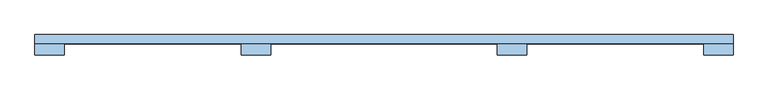
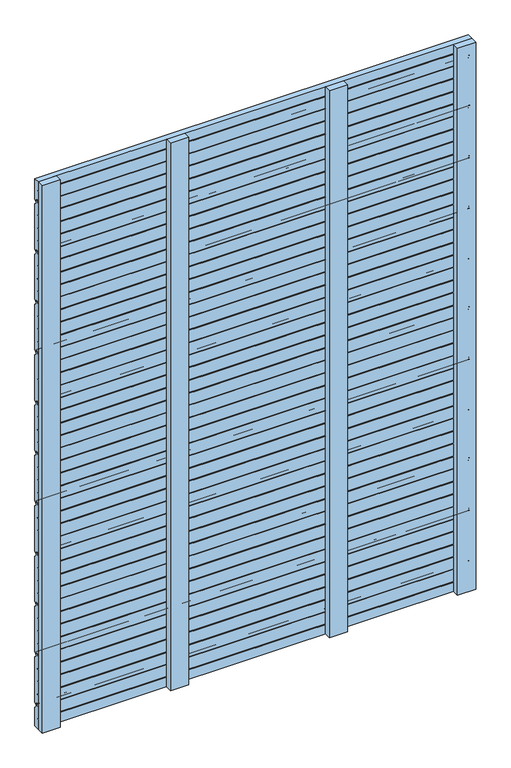
"""IFC4 building model written with IfcOpenShell, lengths in millimetres: window geometry."""

from ifc_helpers import new_model, si_unit, point, frame, frame_2d, origin, place, context, project, spatial, polyline, circle_curve, trimmed, segment, composite_curve, outline, extrude, source, transform, mapped, element, save


def window_4b508122(model_context):
    return source(origin(), model_context, "Body", "SweptSolid", [
        extrude(outline(composite_curve([segment(trimmed(circle_curve(frame_2d((129.5, 182.9478782)), 1.0), [point((130.5, 182.9478782))], [point((129.5, 181.9478782))], False, "CARTESIAN"), True, "CONTINUOUS"), segment(polyline([(129.5, 181.9478782), (124.5, 181.9478782), (124.5, 224.3167895), (130.5, 224.3167895), (130.5, 227.8167895), (124.5, 227.8167895), (124.5, 270.8778597), (130.5, 270.8778597), (130.5, 274.3778597), (124.5, 274.3778597), (124.5, 317.4389298), (130.5, 317.4389298), (130.5, 320.9389298), (124.5, 320.9389298), (124.5, 364.0), (131.0, 364.0), (131.0, 370.5)]), True, "CONTINUOUS"), segment(trimmed(circle_curve(frame_2d((132.5, 370.5)), 1.5), [point((131.0, 370.5))], [point((132.5, 372.0))], False, "CARTESIAN"), True, "CONTINUOUS"), segment(polyline([(132.5, 372.0), (135.5, 372.0)]), True, "CONTINUOUS"), segment(trimmed(circle_curve(frame_2d((135.5, 370.5)), 1.5), [point((135.5, 372.0))], [point((137.0, 370.5))], False, "CARTESIAN"), True, "CONTINUOUS"), segment(polyline([(137.0, 370.5), (137.0, 359.4142136)]), True, "CONTINUOUS"), segment(trimmed(circle_curve(frame_2d((138.0, 359.4142136)), 1.0), [point((137.0, 359.4142136))], [point((137.2928932, 358.7071068))], True, "CARTESIAN"), True, "CONTINUOUS"), segment(polyline([(137.2928932, 358.7071068), (143.5606602, 352.4393398)]), True, "CONTINUOUS"), segment(trimmed(circle_curve(frame_2d((142.5, 351.3786797)), 1.5), [point((143.5606602, 352.4393398))], [point((144.0, 351.3786797))], False, "CARTESIAN"), True, "CONTINUOUS"), segment(polyline([(144.0, 351.3786797), (144.0, 188.154985)]), True, "CONTINUOUS"), segment(trimmed(circle_curve(frame_2d((142.5, 188.154985)), 1.5), [point((144.0, 188.154985))], [point((143.5606602, 187.0943248))], False, "CARTESIAN"), True, "CONTINUOUS"), segment(polyline([(143.5606602, 187.0943248), (138.7071068, 182.2407714)]), True, "CONTINUOUS"), segment(trimmed(circle_curve(frame_2d((138.0, 182.9478782)), 1.0), [point((138.7071068, 182.2407714))], [point((137.0, 182.9478782))], False, "CARTESIAN"), True, "CONTINUOUS"), segment(polyline([(137.0, 182.9478782), (137.0, 189.4478782)]), True, "CONTINUOUS"), segment(trimmed(circle_curve(frame_2d((135.5, 189.4478782)), 1.5), [point((137.0, 189.4478782))], [point((135.5, 190.9478782))], True, "CARTESIAN"), True, "CONTINUOUS"), segment(polyline([(135.5, 190.9478782), (132.0, 190.9478782)]), True, "CONTINUOUS"), segment(trimmed(circle_curve(frame_2d((132.0, 189.4478782)), 1.5), [point((132.0, 190.9478782))], [point((130.5, 189.4478782))], True, "CARTESIAN"), True, "CONTINUOUS"), segment(polyline([(130.5, 189.4478782), (130.5, 182.9478782)]), True, "CONTINUOUS")], self_intersect=False)), frame((-750.0, 0.0, 0.0), z_axis=(1.0, 0.0, 0.0), x_axis=(0.0, 1.0, 0.0)), (0.0, 0.0, 1.0), 1500.0),
        extrude(outline(composite_curve([segment(trimmed(circle_curve(frame_2d((129.5, 366.9478782)), 1.0), [point((130.5, 366.9478782))], [point((129.5, 365.9478782))], False, "CARTESIAN"), True, "CONTINUOUS"), segment(polyline([(129.5, 365.9478782), (124.5, 365.9478782), (124.5, 408.3167895), (130.5, 408.3167895), (130.5, 411.8167895), (124.5, 411.8167895), (124.5, 454.8778597), (130.5, 454.8778597), (130.5, 458.3778597), (124.5, 458.3778597), (124.5, 501.4389298), (130.5, 501.4389298), (130.5, 504.9389298), (124.5, 504.9389298), (124.5, 548.0), (131.0, 548.0), (131.0, 554.5)]), True, "CONTINUOUS"), segment(trimmed(circle_curve(frame_2d((132.5, 554.5)), 1.5), [point((131.0, 554.5))], [point((132.5, 556.0))], False, "CARTESIAN"), True, "CONTINUOUS"), segment(polyline([(132.5, 556.0), (135.5, 556.0)]), True, "CONTINUOUS"), segment(trimmed(circle_curve(frame_2d((135.5, 554.5)), 1.5), [point((135.5, 556.0))], [point((137.0, 554.5))], False, "CARTESIAN"), True, "CONTINUOUS"), segment(polyline([(137.0, 554.5), (137.0, 543.4142136)]), True, "CONTINUOUS"), segment(trimmed(circle_curve(frame_2d((138.0, 543.4142136)), 1.0), [point((137.0, 543.4142136))], [point((137.2928932, 542.7071068))], True, "CARTESIAN"), True, "CONTINUOUS"), segment(polyline([(137.2928932, 542.7071068), (143.5606602, 536.4393398)]), True, "CONTINUOUS"), segment(trimmed(circle_curve(frame_2d((142.5, 535.3786797)), 1.5), [point((143.5606602, 536.4393398))], [point((144.0, 535.3786797))], False, "CARTESIAN"), True, "CONTINUOUS"), segment(polyline([(144.0, 535.3786797), (144.0, 372.154985)]), True, "CONTINUOUS"), segment(trimmed(circle_curve(frame_2d((142.5, 372.154985)), 1.5), [point((144.0, 372.154985))], [point((143.5606602, 371.0943248))], False, "CARTESIAN"), True, "CONTINUOUS"), segment(polyline([(143.5606602, 371.0943248), (138.7071068, 366.2407714)]), True, "CONTINUOUS"), segment(trimmed(circle_curve(frame_2d((138.0, 366.9478782)), 1.0), [point((138.7071068, 366.2407714))], [point((137.0, 366.9478782))], False, "CARTESIAN"), True, "CONTINUOUS"), segment(polyline([(137.0, 366.9478782), (137.0, 373.4478782)]), True, "CONTINUOUS"), segment(trimmed(circle_curve(frame_2d((135.5, 373.4478782)), 1.5), [point((137.0, 373.4478782))], [point((135.5, 374.9478782))], True, "CARTESIAN"), True, "CONTINUOUS"), segment(polyline([(135.5, 374.9478782), (132.0, 374.9478782)]), True, "CONTINUOUS"), segment(trimmed(circle_curve(frame_2d((132.0, 373.4478782)), 1.5), [point((132.0, 374.9478782))], [point((130.5, 373.4478782))], True, "CARTESIAN"), True, "CONTINUOUS"), segment(polyline([(130.5, 373.4478782), (130.5, 366.9478782)]), True, "CONTINUOUS")], self_intersect=False)), frame((-750.0, 0.0, 0.0), z_axis=(1.0, 0.0, 0.0), x_axis=(0.0, 1.0, 0.0)), (0.0, 0.0, 1.0), 1500.0),
        extrude(outline(composite_curve([segment(trimmed(circle_curve(frame_2d((129.5, 550.9478782)), 1.0), [point((130.5, 550.9478782))], [point((129.5, 549.9478782))], False, "CARTESIAN"), True, "CONTINUOUS"), segment(polyline([(129.5, 549.9478782), (124.5, 549.9478782), (124.5, 592.3167895), (130.5, 592.3167895), (130.5, 595.8167895), (124.5, 595.8167895), (124.5, 638.8778597), (130.5, 638.8778597), (130.5, 642.3778597), (124.5, 642.3778597), (124.5, 685.4389298), (130.5, 685.4389298), (130.5, 688.9389298), (124.5, 688.9389298), (124.5, 732.0), (131.0, 732.0), (131.0, 738.5)]), True, "CONTINUOUS"), segment(trimmed(circle_curve(frame_2d((132.5, 738.5)), 1.5), [point((131.0, 738.5))], [point((132.5, 740.0))], False, "CARTESIAN"), True, "CONTINUOUS"), segment(polyline([(132.5, 740.0), (135.5, 740.0)]), True, "CONTINUOUS"), segment(trimmed(circle_curve(frame_2d((135.5, 738.5)), 1.5), [point((135.5, 740.0))], [point((137.0, 738.5))], False, "CARTESIAN"), True, "CONTINUOUS"), segment(polyline([(137.0, 738.5), (137.0, 727.4142136)]), True, "CONTINUOUS"), segment(trimmed(circle_curve(frame_2d((138.0, 727.4142136)), 1.0), [point((137.0, 727.4142136))], [point((137.2928932, 726.7071068))], True, "CARTESIAN"), True, "CONTINUOUS"), segment(polyline([(137.2928932, 726.7071068), (143.5606602, 720.4393398)]), True, "CONTINUOUS"), segment(trimmed(circle_curve(frame_2d((142.5, 719.3786797)), 1.5), [point((143.5606602, 720.4393398))], [point((144.0, 719.3786797))], False, "CARTESIAN"), True, "CONTINUOUS"), segment(polyline([(144.0, 719.3786797), (144.0, 556.154985)]), True, "CONTINUOUS"), segment(trimmed(circle_curve(frame_2d((142.5, 556.154985)), 1.5), [point((144.0, 556.154985))], [point((143.5606602, 555.0943248))], False, "CARTESIAN"), True, "CONTINUOUS"), segment(polyline([(143.5606602, 555.0943248), (138.7071068, 550.2407714)]), True, "CONTINUOUS"), segment(trimmed(circle_curve(frame_2d((138.0, 550.9478782)), 1.0), [point((138.7071068, 550.2407714))], [point((137.0, 550.9478782))], False, "CARTESIAN"), True, "CONTINUOUS"), segment(polyline([(137.0, 550.9478782), (137.0, 557.4478782)]), True, "CONTINUOUS"), segment(trimmed(circle_curve(frame_2d((135.5, 557.4478782)), 1.5), [point((137.0, 557.4478782))], [point((135.5, 558.9478782))], True, "CARTESIAN"), True, "CONTINUOUS"), segment(polyline([(135.5, 558.9478782), (132.0, 558.9478782)]), True, "CONTINUOUS"), segment(trimmed(circle_curve(frame_2d((132.0, 557.4478782)), 1.5), [point((132.0, 558.9478782))], [point((130.5, 557.4478782))], True, "CARTESIAN"), True, "CONTINUOUS"), segment(polyline([(130.5, 557.4478782), (130.5, 550.9478782)]), True, "CONTINUOUS")], self_intersect=False)), frame((-750.0, 0.0, 0.0), z_axis=(1.0, 0.0, 0.0), x_axis=(0.0, 1.0, 0.0)), (0.0, 0.0, 1.0), 1500.0),
        extrude(outline(composite_curve([segment(trimmed(circle_curve(frame_2d((129.5, 734.9478782)), 1.0), [point((130.5, 734.9478782))], [point((129.5, 733.9478782))], False, "CARTESIAN"), True, "CONTINUOUS"), segment(polyline([(129.5, 733.9478782), (124.5, 733.9478782), (124.5, 776.3167895), (130.5, 776.3167895), (130.5, 779.8167895), (124.5, 779.8167895), (124.5, 822.8778597), (130.5, 822.8778597), (130.5, 826.3778597), (124.5, 826.3778597), (124.5, 869.4389298), (130.5, 869.4389298), (130.5, 872.9389298), (124.5, 872.9389298), (124.5, 916.0), (131.0, 916.0), (131.0, 922.5)]), True, "CONTINUOUS"), segment(trimmed(circle_curve(frame_2d((132.5, 922.5)), 1.5), [point((131.0, 922.5))], [point((132.5, 924.0))], False, "CARTESIAN"), True, "CONTINUOUS"), segment(polyline([(132.5, 924.0), (135.5, 924.0)]), True, "CONTINUOUS"), segment(trimmed(circle_curve(frame_2d((135.5, 922.5)), 1.5), [point((135.5, 924.0))], [point((137.0, 922.5))], False, "CARTESIAN"), True, "CONTINUOUS"), segment(polyline([(137.0, 922.5), (137.0, 911.4142136)]), True, "CONTINUOUS"), segment(trimmed(circle_curve(frame_2d((138.0, 911.4142136)), 1.0), [point((137.0, 911.4142136))], [point((137.2928932, 910.7071068))], True, "CARTESIAN"), True, "CONTINUOUS"), segment(polyline([(137.2928932, 910.7071068), (143.5606602, 904.4393398)]), True, "CONTINUOUS"), segment(trimmed(circle_curve(frame_2d((142.5, 903.3786797)), 1.5), [point((143.5606602, 904.4393398))], [point((144.0, 903.3786797))], False, "CARTESIAN"), True, "CONTINUOUS"), segment(polyline([(144.0, 903.3786797), (144.0, 740.154985)]), True, "CONTINUOUS"), segment(trimmed(circle_curve(frame_2d((142.5, 740.154985)), 1.5), [point((144.0, 740.154985))], [point((143.5606602, 739.0943248))], False, "CARTESIAN"), True, "CONTINUOUS"), segment(polyline([(143.5606602, 739.0943248), (138.7071068, 734.2407714)]), True, "CONTINUOUS"), segment(trimmed(circle_curve(frame_2d((138.0, 734.9478782)), 1.0), [point((138.7071068, 734.2407714))], [point((137.0, 734.9478782))], False, "CARTESIAN"), True, "CONTINUOUS"), segment(polyline([(137.0, 734.9478782), (137.0, 741.4478782)]), True, "CONTINUOUS"), segment(trimmed(circle_curve(frame_2d((135.5, 741.4478782)), 1.5), [point((137.0, 741.4478782))], [point((135.5, 742.9478782))], True, "CARTESIAN"), True, "CONTINUOUS"), segment(polyline([(135.5, 742.9478782), (132.0, 742.9478782)]), True, "CONTINUOUS"), segment(trimmed(circle_curve(frame_2d((132.0, 741.4478782)), 1.5), [point((132.0, 742.9478782))], [point((130.5, 741.4478782))], True, "CARTESIAN"), True, "CONTINUOUS"), segment(polyline([(130.5, 741.4478782), (130.5, 734.9478782)]), True, "CONTINUOUS")], self_intersect=False)), frame((-750.0, 0.0, 0.0), z_axis=(1.0, 0.0, 0.0), x_axis=(0.0, 1.0, 0.0)), (0.0, 0.0, 1.0), 1500.0),
        extrude(outline(composite_curve([segment(trimmed(circle_curve(frame_2d((129.5, 918.9478782)), 1.0), [point((130.5, 918.9478782))], [point((129.5, 917.9478782))], False, "CARTESIAN"), True, "CONTINUOUS"), segment(polyline([(129.5, 917.9478782), (124.5, 917.9478782), (124.5, 960.3167895), (130.5, 960.3167895), (130.5, 963.8167895), (124.5, 963.8167895), (124.5, 1006.8778597), (130.5, 1006.8778597), (130.5, 1010.3778597), (124.5, 1010.3778597), (124.5, 1053.4389298), (130.5, 1053.4389298), (130.5, 1056.9389298), (124.5, 1056.9389298), (124.5, 1100.0), (131.0, 1100.0), (131.0, 1106.5)]), True, "CONTINUOUS"), segment(trimmed(circle_curve(frame_2d((132.5, 1106.5)), 1.5), [point((131.0, 1106.5))], [point((132.5, 1108.0))], False, "CARTESIAN"), True, "CONTINUOUS"), segment(polyline([(132.5, 1108.0), (135.5, 1108.0)]), True, "CONTINUOUS"), segment(trimmed(circle_curve(frame_2d((135.5, 1106.5)), 1.5), [point((135.5, 1108.0))], [point((137.0, 1106.5))], False, "CARTESIAN"), True, "CONTINUOUS"), segment(polyline([(137.0, 1106.5), (137.0, 1095.4142136)]), True, "CONTINUOUS"), segment(trimmed(circle_curve(frame_2d((138.0, 1095.4142136)), 1.0), [point((137.0, 1095.4142136))], [point((137.2928932, 1094.7071068))], True, "CARTESIAN"), True, "CONTINUOUS"), segment(polyline([(137.2928932, 1094.7071068), (143.5606602, 1088.4393398)]), True, "CONTINUOUS"), segment(trimmed(circle_curve(frame_2d((142.5, 1087.3786797)), 1.5), [point((143.5606602, 1088.4393398))], [point((144.0, 1087.3786797))], False, "CARTESIAN"), True, "CONTINUOUS"), segment(polyline([(144.0, 1087.3786797), (144.0, 924.154985)]), True, "CONTINUOUS"), segment(trimmed(circle_curve(frame_2d((142.5, 924.154985)), 1.5), [point((144.0, 924.154985))], [point((143.5606602, 923.0943248))], False, "CARTESIAN"), True, "CONTINUOUS"), segment(polyline([(143.5606602, 923.0943248), (138.7071068, 918.2407714)]), True, "CONTINUOUS"), segment(trimmed(circle_curve(frame_2d((138.0, 918.9478782)), 1.0), [point((138.7071068, 918.2407714))], [point((137.0, 918.9478782))], False, "CARTESIAN"), True, "CONTINUOUS"), segment(polyline([(137.0, 918.9478782), (137.0, 925.4478782)]), True, "CONTINUOUS"), segment(trimmed(circle_curve(frame_2d((135.5, 925.4478782)), 1.5), [point((137.0, 925.4478782))], [point((135.5, 926.9478782))], True, "CARTESIAN"), True, "CONTINUOUS"), segment(polyline([(135.5, 926.9478782), (132.0, 926.9478782)]), True, "CONTINUOUS"), segment(trimmed(circle_curve(frame_2d((132.0, 925.4478782)), 1.5), [point((132.0, 926.9478782))], [point((130.5, 925.4478782))], True, "CARTESIAN"), True, "CONTINUOUS"), segment(polyline([(130.5, 925.4478782), (130.5, 918.9478782)]), True, "CONTINUOUS")], self_intersect=False)), frame((-750.0, 0.0, 0.0), z_axis=(1.0, 0.0, 0.0), x_axis=(0.0, 1.0, 0.0)), (0.0, 0.0, 1.0), 1500.0),
        extrude(outline(composite_curve([segment(trimmed(circle_curve(frame_2d((129.5, 1102.9478782)), 1.0), [point((130.5, 1102.9478782))], [point((129.5, 1101.9478782))], False, "CARTESIAN"), True, "CONTINUOUS"), segment(polyline([(129.5, 1101.9478782), (124.5, 1101.9478782), (124.5, 1144.3167895), (130.5, 1144.3167895), (130.5, 1147.8167895), (124.5, 1147.8167895), (124.5, 1190.8778597), (130.5, 1190.8778597), (130.5, 1194.3778597), (124.5, 1194.3778597), (124.5, 1237.4389298), (130.5, 1237.4389298), (130.5, 1240.9389298), (124.5, 1240.9389298), (124.5, 1284.0), (131.0, 1284.0), (131.0, 1290.5)]), True, "CONTINUOUS"), segment(trimmed(circle_curve(frame_2d((132.5, 1290.5)), 1.5), [point((131.0, 1290.5))], [point((132.5, 1292.0))], False, "CARTESIAN"), True, "CONTINUOUS"), segment(polyline([(132.5, 1292.0), (135.5, 1292.0)]), True, "CONTINUOUS"), segment(trimmed(circle_curve(frame_2d((135.5, 1290.5)), 1.5), [point((135.5, 1292.0))], [point((137.0, 1290.5))], False, "CARTESIAN"), True, "CONTINUOUS"), segment(polyline([(137.0, 1290.5), (137.0, 1279.4142136)]), True, "CONTINUOUS"), segment(trimmed(circle_curve(frame_2d((138.0, 1279.4142136)), 1.0), [point((137.0, 1279.4142136))], [point((137.2928932, 1278.7071068))], True, "CARTESIAN"), True, "CONTINUOUS"), segment(polyline([(137.2928932, 1278.7071068), (143.5606602, 1272.4393398)]), True, "CONTINUOUS"), segment(trimmed(circle_curve(frame_2d((142.5, 1271.3786797)), 1.5), [point((143.5606602, 1272.4393398))], [point((144.0, 1271.3786797))], False, "CARTESIAN"), True, "CONTINUOUS"), segment(polyline([(144.0, 1271.3786797), (144.0, 1108.154985)]), True, "CONTINUOUS"), segment(trimmed(circle_curve(frame_2d((142.5, 1108.154985)), 1.5), [point((144.0, 1108.154985))], [point((143.5606602, 1107.0943248))], False, "CARTESIAN"), True, "CONTINUOUS"), segment(polyline([(143.5606602, 1107.0943248), (138.7071068, 1102.2407714)]), True, "CONTINUOUS"), segment(trimmed(circle_curve(frame_2d((138.0, 1102.9478782)), 1.0), [point((138.7071068, 1102.2407714))], [point((137.0, 1102.9478782))], False, "CARTESIAN"), True, "CONTINUOUS"), segment(polyline([(137.0, 1102.9478782), (137.0, 1109.4478782)]), True, "CONTINUOUS"), segment(trimmed(circle_curve(frame_2d((135.5, 1109.4478782)), 1.5), [point((137.0, 1109.4478782))], [point((135.5, 1110.9478782))], True, "CARTESIAN"), True, "CONTINUOUS"), segment(polyline([(135.5, 1110.9478782), (132.0, 1110.9478782)]), True, "CONTINUOUS"), segment(trimmed(circle_curve(frame_2d((132.0, 1109.4478782)), 1.5), [point((132.0, 1110.9478782))], [point((130.5, 1109.4478782))], True, "CARTESIAN"), True, "CONTINUOUS"), segment(polyline([(130.5, 1109.4478782), (130.5, 1102.9478782)]), True, "CONTINUOUS")], self_intersect=False)), frame((-750.0, 0.0, 0.0), z_axis=(1.0, 0.0, 0.0), x_axis=(0.0, 1.0, 0.0)), (0.0, 0.0, 1.0), 1500.0),
        extrude(outline(composite_curve([segment(trimmed(circle_curve(frame_2d((129.5, 1286.9478782)), 1.0), [point((130.5, 1286.9478782))], [point((129.5, 1285.9478782))], False, "CARTESIAN"), True, "CONTINUOUS"), segment(polyline([(129.5, 1285.9478782), (124.5, 1285.9478782), (124.5, 1328.3167895), (130.5, 1328.3167895), (130.5, 1331.8167895), (124.5, 1331.8167895), (124.5, 1374.8778597), (130.5, 1374.8778597), (130.5, 1378.3778597), (124.5, 1378.3778597), (124.5, 1421.4389298), (130.5, 1421.4389298), (130.5, 1424.9389298), (124.5, 1424.9389298), (124.5, 1468.0), (131.0, 1468.0), (131.0, 1474.5)]), True, "CONTINUOUS"), segment(trimmed(circle_curve(frame_2d((132.5, 1474.5)), 1.5), [point((131.0, 1474.5))], [point((132.5, 1476.0))], False, "CARTESIAN"), True, "CONTINUOUS"), segment(polyline([(132.5, 1476.0), (135.5, 1476.0)]), True, "CONTINUOUS"), segment(trimmed(circle_curve(frame_2d((135.5, 1474.5)), 1.5), [point((135.5, 1476.0))], [point((137.0, 1474.5))], False, "CARTESIAN"), True, "CONTINUOUS"), segment(polyline([(137.0, 1474.5), (137.0, 1463.4142136)]), True, "CONTINUOUS"), segment(trimmed(circle_curve(frame_2d((138.0, 1463.4142136)), 1.0), [point((137.0, 1463.4142136))], [point((137.2928932, 1462.7071068))], True, "CARTESIAN"), True, "CONTINUOUS"), segment(polyline([(137.2928932, 1462.7071068), (143.5606602, 1456.4393398)]), True, "CONTINUOUS"), segment(trimmed(circle_curve(frame_2d((142.5, 1455.3786797)), 1.5), [point((143.5606602, 1456.4393398))], [point((144.0, 1455.3786797))], False, "CARTESIAN"), True, "CONTINUOUS"), segment(polyline([(144.0, 1455.3786797), (144.0, 1292.154985)]), True, "CONTINUOUS"), segment(trimmed(circle_curve(frame_2d((142.5, 1292.154985)), 1.5), [point((144.0, 1292.154985))], [point((143.5606602, 1291.0943248))], False, "CARTESIAN"), True, "CONTINUOUS"), segment(polyline([(143.5606602, 1291.0943248), (138.7071068, 1286.2407714)]), True, "CONTINUOUS"), segment(trimmed(circle_curve(frame_2d((138.0, 1286.9478782)), 1.0), [point((138.7071068, 1286.2407714))], [point((137.0, 1286.9478782))], False, "CARTESIAN"), True, "CONTINUOUS"), segment(polyline([(137.0, 1286.9478782), (137.0, 1293.4478782)]), True, "CONTINUOUS"), segment(trimmed(circle_curve(frame_2d((135.5, 1293.4478782)), 1.5), [point((137.0, 1293.4478782))], [point((135.5, 1294.9478782))], True, "CARTESIAN"), True, "CONTINUOUS"), segment(polyline([(135.5, 1294.9478782), (132.0, 1294.9478782)]), True, "CONTINUOUS"), segment(trimmed(circle_curve(frame_2d((132.0, 1293.4478782)), 1.5), [point((132.0, 1294.9478782))], [point((130.5, 1293.4478782))], True, "CARTESIAN"), True, "CONTINUOUS"), segment(polyline([(130.5, 1293.4478782), (130.5, 1286.9478782)]), True, "CONTINUOUS")], self_intersect=False)), frame((-750.0, 0.0, 0.0), z_axis=(1.0, 0.0, 0.0), x_axis=(0.0, 1.0, 0.0)), (0.0, 0.0, 1.0), 1500.0),
        extrude(outline(composite_curve([segment(trimmed(circle_curve(frame_2d((129.5, 1470.9478782)), 1.0), [point((130.5, 1470.9478782))], [point((129.5, 1469.9478782))], False, "CARTESIAN"), True, "CONTINUOUS"), segment(polyline([(129.5, 1469.9478782), (124.5, 1469.9478782), (124.5, 1512.3167895), (130.5, 1512.3167895), (130.5, 1515.8167895), (124.5, 1515.8167895), (124.5, 1558.8778597), (130.5, 1558.8778597), (130.5, 1562.3778597), (124.5, 1562.3778597), (124.5, 1605.4389298), (130.5, 1605.4389298), (130.5, 1608.9389298), (124.5, 1608.9389298), (124.5, 1652.0), (131.0, 1652.0), (131.0, 1658.5)]), True, "CONTINUOUS"), segment(trimmed(circle_curve(frame_2d((132.5, 1658.5)), 1.5), [point((131.0, 1658.5))], [point((132.5, 1660.0))], False, "CARTESIAN"), True, "CONTINUOUS"), segment(polyline([(132.5, 1660.0), (135.5, 1660.0)]), True, "CONTINUOUS"), segment(trimmed(circle_curve(frame_2d((135.5, 1658.5)), 1.5), [point((135.5, 1660.0))], [point((137.0, 1658.5))], False, "CARTESIAN"), True, "CONTINUOUS"), segment(polyline([(137.0, 1658.5), (137.0, 1647.4142136)]), True, "CONTINUOUS"), segment(trimmed(circle_curve(frame_2d((138.0, 1647.4142136)), 1.0), [point((137.0, 1647.4142136))], [point((137.2928932, 1646.7071068))], True, "CARTESIAN"), True, "CONTINUOUS"), segment(polyline([(137.2928932, 1646.7071068), (143.5606602, 1640.4393398)]), True, "CONTINUOUS"), segment(trimmed(circle_curve(frame_2d((142.5, 1639.3786797)), 1.5), [point((143.5606602, 1640.4393398))], [point((144.0, 1639.3786797))], False, "CARTESIAN"), True, "CONTINUOUS"), segment(polyline([(144.0, 1639.3786797), (144.0, 1476.154985)]), True, "CONTINUOUS"), segment(trimmed(circle_curve(frame_2d((142.5, 1476.154985)), 1.5), [point((144.0, 1476.154985))], [point((143.5606602, 1475.0943248))], False, "CARTESIAN"), True, "CONTINUOUS"), segment(polyline([(143.5606602, 1475.0943248), (138.7071068, 1470.2407714)]), True, "CONTINUOUS"), segment(trimmed(circle_curve(frame_2d((138.0, 1470.9478782)), 1.0), [point((138.7071068, 1470.2407714))], [point((137.0, 1470.9478782))], False, "CARTESIAN"), True, "CONTINUOUS"), segment(polyline([(137.0, 1470.9478782), (137.0, 1477.4478782)]), True, "CONTINUOUS"), segment(trimmed(circle_curve(frame_2d((135.5, 1477.4478782)), 1.5), [point((137.0, 1477.4478782))], [point((135.5, 1478.9478782))], True, "CARTESIAN"), True, "CONTINUOUS"), segment(polyline([(135.5, 1478.9478782), (132.0, 1478.9478782)]), True, "CONTINUOUS"), segment(trimmed(circle_curve(frame_2d((132.0, 1477.4478782)), 1.5), [point((132.0, 1478.9478782))], [point((130.5, 1477.4478782))], True, "CARTESIAN"), True, "CONTINUOUS"), segment(polyline([(130.5, 1477.4478782), (130.5, 1470.9478782)]), True, "CONTINUOUS")], self_intersect=False)), frame((-750.0, 0.0, 0.0), z_axis=(1.0, 0.0, 0.0), x_axis=(0.0, 1.0, 0.0)), (0.0, 0.0, 1.0), 1500.0),
        extrude(outline(composite_curve([segment(trimmed(circle_curve(frame_2d((129.5, 1654.9478782)), 1.0), [point((130.5, 1654.9478782))], [point((129.5, 1653.9478782))], False, "CARTESIAN"), True, "CONTINUOUS"), segment(polyline([(129.5, 1653.9478782), (124.5, 1653.9478782), (124.5, 1696.3167895), (130.5, 1696.3167895), (130.5, 1699.8167895), (124.5, 1699.8167895), (124.5, 1742.8778597), (130.5, 1742.8778597), (130.5, 1746.3778597), (124.5, 1746.3778597), (124.5, 1789.4389298), (130.5, 1789.4389298), (130.5, 1792.9389298), (124.5, 1792.9389298), (124.5, 1836.0), (131.0, 1836.0), (131.0, 1842.5)]), True, "CONTINUOUS"), segment(trimmed(circle_curve(frame_2d((132.5, 1842.5)), 1.5), [point((131.0, 1842.5))], [point((132.5, 1844.0))], False, "CARTESIAN"), True, "CONTINUOUS"), segment(polyline([(132.5, 1844.0), (135.5, 1844.0)]), True, "CONTINUOUS"), segment(trimmed(circle_curve(frame_2d((135.5, 1842.5)), 1.5), [point((135.5, 1844.0))], [point((137.0, 1842.5))], False, "CARTESIAN"), True, "CONTINUOUS"), segment(polyline([(137.0, 1842.5), (137.0, 1831.4142136)]), True, "CONTINUOUS"), segment(trimmed(circle_curve(frame_2d((138.0, 1831.4142136)), 1.0), [point((137.0, 1831.4142136))], [point((137.2928932, 1830.7071068))], True, "CARTESIAN"), True, "CONTINUOUS"), segment(polyline([(137.2928932, 1830.7071068), (143.5606602, 1824.4393398)]), True, "CONTINUOUS"), segment(trimmed(circle_curve(frame_2d((142.5, 1823.3786797)), 1.5), [point((143.5606602, 1824.4393398))], [point((144.0, 1823.3786797))], False, "CARTESIAN"), True, "CONTINUOUS"), segment(polyline([(144.0, 1823.3786797), (144.0, 1660.154985)]), True, "CONTINUOUS"), segment(trimmed(circle_curve(frame_2d((142.5, 1660.154985)), 1.5), [point((144.0, 1660.154985))], [point((143.5606602, 1659.0943248))], False, "CARTESIAN"), True, "CONTINUOUS"), segment(polyline([(143.5606602, 1659.0943248), (138.7071068, 1654.2407714)]), True, "CONTINUOUS"), segment(trimmed(circle_curve(frame_2d((138.0, 1654.9478782)), 1.0), [point((138.7071068, 1654.2407714))], [point((137.0, 1654.9478782))], False, "CARTESIAN"), True, "CONTINUOUS"), segment(polyline([(137.0, 1654.9478782), (137.0, 1661.4478782)]), True, "CONTINUOUS"), segment(trimmed(circle_curve(frame_2d((135.5, 1661.4478782)), 1.5), [point((137.0, 1661.4478782))], [point((135.5, 1662.9478782))], True, "CARTESIAN"), True, "CONTINUOUS"), segment(polyline([(135.5, 1662.9478782), (132.0, 1662.9478782)]), True, "CONTINUOUS"), segment(trimmed(circle_curve(frame_2d((132.0, 1661.4478782)), 1.5), [point((132.0, 1662.9478782))], [point((130.5, 1661.4478782))], True, "CARTESIAN"), True, "CONTINUOUS"), segment(polyline([(130.5, 1661.4478782), (130.5, 1654.9478782)]), True, "CONTINUOUS")], self_intersect=False)), frame((-750.0, 0.0, 0.0), z_axis=(1.0, 0.0, 0.0), x_axis=(0.0, 1.0, 0.0)), (0.0, 0.0, 1.0), 1500.0),
        extrude(outline(composite_curve([segment(trimmed(circle_curve(frame_2d((129.5, 1838.9478782)), 1.0), [point((130.5, 1838.9478782))], [point((129.5, 1837.9478782))], False, "CARTESIAN"), True, "CONTINUOUS"), segment(polyline([(129.5, 1837.9478782), (124.5, 1837.9478782), (124.5, 1880.3167895), (130.5, 1880.3167895), (130.5, 1883.8167895), (124.5, 1883.8167895), (124.5, 1926.8778597), (130.5, 1926.8778597), (130.5, 1930.3778597), (124.5, 1930.3778597), (124.5, 1973.4389298), (130.5, 1973.4389298), (130.5, 1976.9389298), (124.5, 1976.9389298), (124.5, 2020.0), (131.0, 2020.0), (131.0, 2026.5)]), True, "CONTINUOUS"), segment(trimmed(circle_curve(frame_2d((132.5, 2026.5)), 1.5), [point((131.0, 2026.5))], [point((132.5, 2028.0))], False, "CARTESIAN"), True, "CONTINUOUS"), segment(polyline([(132.5, 2028.0), (135.5, 2028.0)]), True, "CONTINUOUS"), segment(trimmed(circle_curve(frame_2d((135.5, 2026.5)), 1.5), [point((135.5, 2028.0))], [point((137.0, 2026.5))], False, "CARTESIAN"), True, "CONTINUOUS"), segment(polyline([(137.0, 2026.5), (137.0, 2015.4142136)]), True, "CONTINUOUS"), segment(trimmed(circle_curve(frame_2d((138.0, 2015.4142136)), 1.0), [point((137.0, 2015.4142136))], [point((137.2928932, 2014.7071068))], True, "CARTESIAN"), True, "CONTINUOUS"), segment(polyline([(137.2928932, 2014.7071068), (143.5606602, 2008.4393398)]), True, "CONTINUOUS"), segment(trimmed(circle_curve(frame_2d((142.5, 2007.3786797)), 1.5), [point((143.5606602, 2008.4393398))], [point((144.0, 2007.3786797))], False, "CARTESIAN"), True, "CONTINUOUS"), segment(polyline([(144.0, 2007.3786797), (144.0, 1844.154985)]), True, "CONTINUOUS"), segment(trimmed(circle_curve(frame_2d((142.5, 1844.154985)), 1.5), [point((144.0, 1844.154985))], [point((143.5606602, 1843.0943248))], False, "CARTESIAN"), True, "CONTINUOUS"), segment(polyline([(143.5606602, 1843.0943248), (138.7071068, 1838.2407714)]), True, "CONTINUOUS"), segment(trimmed(circle_curve(frame_2d((138.0, 1838.9478782)), 1.0), [point((138.7071068, 1838.2407714))], [point((137.0, 1838.9478782))], False, "CARTESIAN"), True, "CONTINUOUS"), segment(polyline([(137.0, 1838.9478782), (137.0, 1845.4478782)]), True, "CONTINUOUS"), segment(trimmed(circle_curve(frame_2d((135.5, 1845.4478782)), 1.5), [point((137.0, 1845.4478782))], [point((135.5, 1846.9478782))], True, "CARTESIAN"), True, "CONTINUOUS"), segment(polyline([(135.5, 1846.9478782), (132.0, 1846.9478782)]), True, "CONTINUOUS"), segment(trimmed(circle_curve(frame_2d((132.0, 1845.4478782)), 1.5), [point((132.0, 1846.9478782))], [point((130.5, 1845.4478782))], True, "CARTESIAN"), True, "CONTINUOUS"), segment(polyline([(130.5, 1845.4478782), (130.5, 1838.9478782)]), True, "CONTINUOUS")], self_intersect=False)), frame((-750.0, 0.0, 0.0), z_axis=(1.0, 0.0, 0.0), x_axis=(0.0, 1.0, 0.0)), (0.0, 0.0, 1.0), 1500.0),
        extrude(outline(composite_curve([segment(trimmed(circle_curve(frame_2d((142.5, 167.3786797)), 1.5), [point((143.5606602, 168.4393398))], [point((144.0, 167.3786797))], False, "CARTESIAN"), True, "CONTINUOUS"), segment(polyline([(144.0, 167.3786797), (144.0, 100.0), (124.5, 100.0), (124.5, 133.4389298), (130.5, 133.4389298), (130.5, 136.9389298), (124.5, 136.9389298), (124.5, 180.0), (131.0, 180.0), (131.0, 186.5)]), True, "CONTINUOUS"), segment(trimmed(circle_curve(frame_2d((132.5, 186.5)), 1.5), [point((131.0, 186.5))], [point((132.5, 188.0))], False, "CARTESIAN"), True, "CONTINUOUS"), segment(polyline([(132.5, 188.0), (135.5, 188.0)]), True, "CONTINUOUS"), segment(trimmed(circle_curve(frame_2d((135.5, 186.5)), 1.5), [point((135.5, 188.0))], [point((137.0, 186.5))], False, "CARTESIAN"), True, "CONTINUOUS"), segment(polyline([(137.0, 186.5), (137.0, 175.4142136)]), True, "CONTINUOUS"), segment(trimmed(circle_curve(frame_2d((138.0, 175.4142136)), 1.0), [point((137.0, 175.4142136))], [point((137.2928932, 174.7071068))], True, "CARTESIAN"), True, "CONTINUOUS"), segment(polyline([(137.2928932, 174.7071068), (143.5606602, 168.4393398)]), True, "CONTINUOUS")], self_intersect=False)), frame((-750.0, 0.0, 0.0), z_axis=(1.0, 0.0, 0.0), x_axis=(0.0, 1.0, 0.0)), (0.0, 0.0, 1.0), 1500.0),
        extrude(outline(composite_curve([segment(trimmed(circle_curve(frame_2d((129.5, 2022.0)), 1.0), [point((130.5, 2022.0))], [point((129.5, 2021.0))], False, "CARTESIAN"), True, "CONTINUOUS"), segment(polyline([(129.5, 2021.0), (124.5, 2021.0), (124.5, 2063.3689113), (130.5, 2063.3689113), (130.5, 2066.8689113), (124.5, 2066.8689113), (124.5, 2100.0), (144.0, 2100.0), (144.0, 2027.2071068)]), True, "CONTINUOUS"), segment(trimmed(circle_curve(frame_2d((142.5, 2027.2071068)), 1.5), [point((144.0, 2027.2071068))], [point((143.5606602, 2026.1464466))], False, "CARTESIAN"), True, "CONTINUOUS"), segment(polyline([(143.5606602, 2026.1464466), (138.7071068, 2021.2928932)]), True, "CONTINUOUS"), segment(trimmed(circle_curve(frame_2d((138.0, 2022.0)), 1.0), [point((138.7071068, 2021.2928932))], [point((137.0, 2022.0))], False, "CARTESIAN"), True, "CONTINUOUS"), segment(polyline([(137.0, 2022.0), (137.0, 2028.5)]), True, "CONTINUOUS"), segment(trimmed(circle_curve(frame_2d((135.5, 2028.5)), 1.5), [point((137.0, 2028.5))], [point((135.5, 2030.0))], True, "CARTESIAN"), True, "CONTINUOUS"), segment(polyline([(135.5, 2030.0), (132.0, 2030.0)]), True, "CONTINUOUS"), segment(trimmed(circle_curve(frame_2d((132.0, 2028.5)), 1.5), [point((132.0, 2030.0))], [point((130.5, 2028.5))], True, "CARTESIAN"), True, "CONTINUOUS"), segment(polyline([(130.5, 2028.5), (130.5, 2022.0)]), True, "CONTINUOUS")], self_intersect=False)), frame((-750.0, 0.0, 0.0), z_axis=(1.0, 0.0, 0.0), x_axis=(0.0, 1.0, 0.0)), (0.0, 0.0, 1.0), 1500.0),
        extrude(outline(polyline([(-306.5, 124.0), (-243.5, 124.0), (-243.5, 100.0), (-306.5, 100.0), (-306.5, 124.0)])), frame((0.0, 0.0, 100.0), z_axis=(0.0, 0.0, 1.0), x_axis=(1.0, 0.0, 0.0)), (0.0, 0.0, 1.0), 2000.0),
        extrude(outline(polyline([(243.5, 124.0), (306.5, 124.0), (306.5, 100.0), (243.5, 100.0), (243.5, 124.0)])), frame((0.0, 0.0, 100.0), z_axis=(0.0, 0.0, 1.0), x_axis=(1.0, 0.0, 0.0)), (0.0, 0.0, 1.0), 2000.0),
        extrude(outline(polyline([(-750.0, 124.0), (-687.0, 124.0), (-687.0, 100.0), (-750.0, 100.0), (-750.0, 124.0)])), frame((0.0, 0.0, 100.0), z_axis=(0.0, 0.0, 1.0), x_axis=(1.0, 0.0, 0.0)), (0.0, 0.0, 1.0), 2000.0),
        extrude(outline(polyline([(687.0, 124.0), (750.0, 124.0), (750.0, 100.0), (687.0, 100.0), (687.0, 124.0)])), frame((0.0, 0.0, 100.0), z_axis=(0.0, 0.0, 1.0), x_axis=(1.0, 0.0, 0.0)), (0.0, 0.0, 1.0), 2000.0),
    ])


if __name__ == "__main__":
    model = new_model("IFC4")
    model_context = context("Model", 3, world=origin())
    ifc_project = project(units=[si_unit("LENGTHUNIT", "METRE", prefix="MILLI")], contexts=[model_context])
    site = spatial("IfcSite", under=ifc_project)
    building = spatial("IfcBuilding", under=site)
    placement = place(None, origin())
    window_shape = window_4b508122(model_context)
    element("IfcWindow", 1, at=placement, inside=building, context=model_context, shape_type="MappedRepresentation", body=[
        mapped(window_shape, transform((0.0, 0.0, 0.0), x_axis=(1.0, 0.0, 0.0), y_axis=(0.0, 1.0, 0.0), z_axis=(0.0, 0.0, 1.0))),
    ])
    save(model, "model.ifc")
